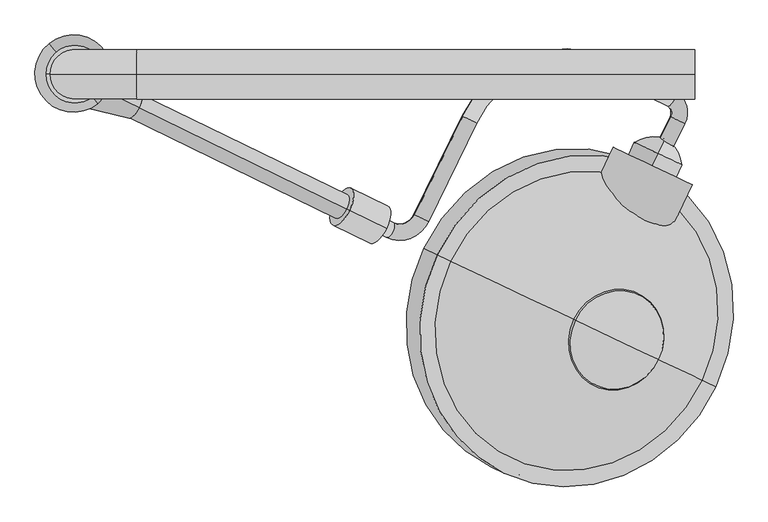
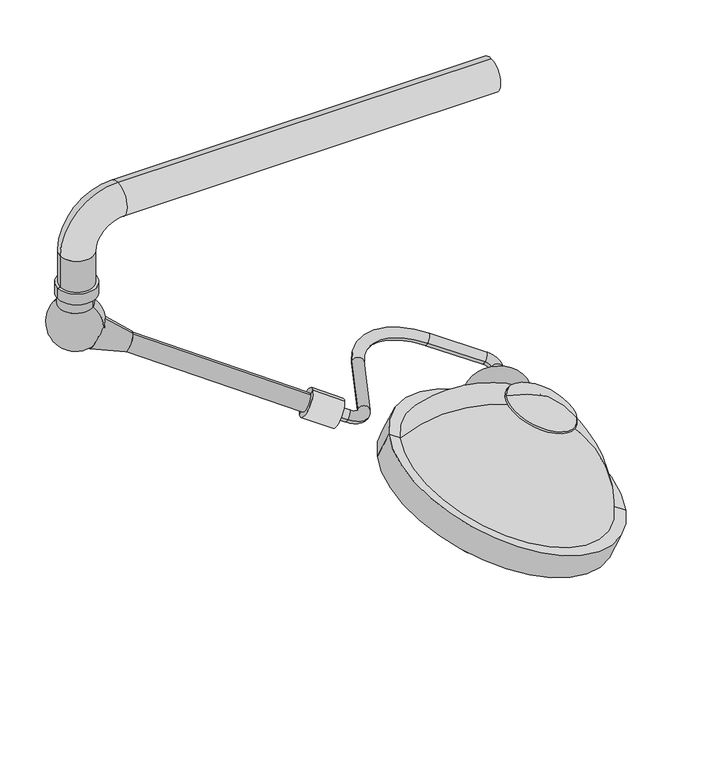
"""IFC4 building model written with IfcOpenShell, lengths in millimetres: proxy geometry."""

from ifc_helpers import new_model, si_unit, point, frame, frame_2d, origin, origin_2d, place, context, project, spatial, polyline, circle_curve, ellipse_curve, trimmed, segment, composite_curve, outline, extrude, source, transform, mapped, element, save
from ifc_brep_helpers import plane_surface, cylinder_surface, revolved_surface, advanced_brep


def specialty_equipment_e6020135(model_context):
    return source(origin(), model_context, "Body", "SolidModel", [
        advanced_brep(
        [(-51.3241797, 670.2413617, 1699.7604265), (-72.1798458, 680.4133498, 1710.0915373), (-30.6483179, 712.6331606, 1699.7604265), (-51.503984, 722.8051486, 1710.0915373), (-56.3645035, 739.305827, 1715.2570926), (-45.2298764, 762.1351958, 1715.2570926), (-148.7448243, 812.6228093, 1766.5344952), (-159.8794514, 789.7934405, 1766.5344952), (-351.8212111, 713.8491561, 1828.5211596), (-372.6768772, 724.0211441, 1838.8522704), (-446.9378356, 571.7636159, 1838.8522704), (-426.0821694, 561.5916279, 1828.5211596), (-490.062756, 536.2768664, 1849.1833811), (-478.9281288, 559.1062352, 1849.1833811), (-557.8921303, 597.619552, 1888.2991704), (-569.0267574, 574.7901832, 1888.2991704)],
        [
            (0, 1, circle_curve(frame((-61.7520127, 675.3273558, 1704.9259819), z_axis=(-0.43837114678908723, -0.8987940462991623, 0.0), x_axis=(-0.8210892183528129, 0.40047196991074896, 0.4067366430758003)), 12.7)),
            (1, 0, circle_curve(frame((-61.7520127, 675.3273558, 1704.9259819), z_axis=(-0.43837114678908723, -0.8987940462991623, 0.0), x_axis=(-0.8210892183528129, 0.40047196991074896, 0.4067366430758003)), 12.7)),
            (0, 2),
            (2, 3, circle_curve(frame((-41.0761509, 717.7191546, 1704.9259819), z_axis=(-0.43837114678908723, -0.8987940462991623, 0.0), x_axis=(-0.8210892183528129, 0.40047196991074896, 0.4067366430758003)), 12.7)),
            (3, 1),
            (3, 2, circle_curve(frame((-41.0761509, 717.7191546, 1704.9259819), z_axis=(-0.43837114678908723, -0.8987940462991623, 0.0), x_axis=(-0.8210892183528129, 0.40047196991074896, 0.4067366430758003)), 12.7)),
            (4, 3, circle_curve(frame((-61.9318171, 727.8911427, 1715.2570926), z_axis=(-0.36557247320823727, 0.17830160866628114, -0.9135454576426009), x_axis=(0.8210892183528128, -0.400471969910749, -0.4067366430758004)), 12.7)),
            (2, 5, circle_curve(frame((-61.9318171, 727.8911427, 1715.2570926), z_axis=(0.36557247320823727, -0.17830160866628114, 0.9135454576426009), x_axis=(0.8210892183528128, -0.400471969910749, -0.4067366430758004)), 38.1)),
            (5, 4, circle_curve(frame((-50.79719, 750.7205114, 1715.2570926), z_axis=(0.8210892183528112, -0.4004719699107522, -0.4067366430758003), x_axis=(-0.4383711467890902, -0.8987940462991607, 0.0)), 12.7)),
            (4, 5, circle_curve(frame((-50.79719, 750.7205114, 1715.2570926), z_axis=(0.8210892183528081, -0.40047196991075856, -0.4067366430758003), x_axis=(-0.43837114678909606, -0.8987940462991579, 0.0)), 12.7)),
            (5, 6),
            (6, 7, circle_curve(frame((-154.3121378, 801.2081249, 1766.5344952), z_axis=(0.821089218352813, -0.40047196991074857, -0.40673664307580043), x_axis=(-0.4383711467890869, -0.8987940462991624, 0.0)), 12.7)),
            (7, 4),
            (7, 6, circle_curve(frame((-154.3121378, 801.2081249, 1766.5344952), z_axis=(0.821089218352813, -0.40047196991074857, -0.40673664307580043), x_axis=(-0.4383711467890869, -0.8987940462991624, 0.0)), 12.7)),
            (8, 7, circle_curve(frame((-226.6872142, 652.8172279, 1766.5344952), z_axis=(-0.36557247320823727, 0.17830160866628114, -0.9135454576426009), x_axis=(0.43837114678909317, 0.8987940462991594, 0.0)), 152.4)),
            (6, 9, circle_curve(frame((-226.6872142, 652.8172279, 1766.5344952), z_axis=(0.36557247320823727, -0.17830160866628114, 0.9135454576426009), x_axis=(0.43837114678909317, 0.8987940462991594, 0.0)), 177.8)),
            (9, 8, circle_curve(frame((-362.2490441, 718.9351501, 1833.686715), z_axis=(0.4383711467890851, 0.8987940462991633, 0.0), x_axis=(0.821089218352814, -0.40047196991074674, -0.40673664307580043)), 12.7)),
            (8, 9, circle_curve(frame((-362.2490441, 718.9351501, 1833.686715), z_axis=(0.4383711467890848, 0.8987940462991635, 0.0), x_axis=(0.8210892183528142, -0.4004719699107463, -0.40673664307580043)), 12.7)),
            (9, 10),
            (10, 11, circle_curve(frame((-436.5100025, 566.6776219, 1833.686715), z_axis=(0.43837114678908545, 0.898794046299163, 0.0), x_axis=(0.8210892183528139, -0.400471969910747, -0.4067366430758005)), 12.7)),
            (11, 8),
            (11, 10, circle_curve(frame((-436.5100025, 566.6776219, 1833.686715), z_axis=(0.43837114678908545, 0.898794046299163, 0.0), x_axis=(0.8210892183528139, -0.400471969910747, -0.4067366430758005)), 12.7)),
            (12, 11, circle_curve(frame((-467.7935017, 581.935604, 1849.1833811), z_axis=(0.36557247320823727, -0.17830160866628114, 0.9135454576426009), x_axis=(0.8210892183528169, -0.4004719699107408, -0.4067366430758004)), 50.8)),
            (10, 13, circle_curve(frame((-467.7935017, 581.935604, 1849.1833811), z_axis=(-0.36557247320823727, 0.17830160866628114, -0.9135454576426009), x_axis=(0.8210892183528169, -0.4004719699107408, -0.4067366430758004)), 25.4)),
            (13, 12, circle_curve(frame((-484.4954424, 547.6915508, 1849.1833811), z_axis=(0.8210892183528147, -0.40047196991074524, -0.4067366430758004), x_axis=(-0.4383711467890839, -0.8987940462991639, 0.0)), 12.7)),
            (12, 13, circle_curve(frame((-484.4954424, 547.6915508, 1849.1833811), z_axis=(0.8210892183528171, -0.40047196991074047, -0.4067366430758004), x_axis=(-0.4383711467890795, -0.898794046299166, 0.0)), 12.7)),
            (14, 15, circle_curve(frame((-563.4594439, 586.2048676, 1888.2991704), z_axis=(-0.821089218352815, 0.40047196991074563, 0.4067366430757997), x_axis=(-0.438371146789084, -0.8987940462991637, 0.0)), 12.7)),
            (15, 14, circle_curve(frame((-563.4594439, 586.2048676, 1888.2991704), z_axis=(-0.821089218352815, 0.40047196991074563, 0.4067366430757997), x_axis=(-0.438371146789084, -0.8987940462991637, 0.0)), 12.7)),
            (13, 14),
            (15, 12),
        ],
        [
            plane_surface(frame((-671.2712366, 972.6097446, 181.7710423), z_axis=(-0.43837114678908734, -0.8987940462991622, 0.0), x_axis=(0.3655724732082375, -0.17830160866628114, 0.9135454576426008))),
            cylinder_surface(frame((-61.7520127, 675.3273558, 1704.9259819), z_axis=(-0.43837114678908723, -0.8987940462991623, 0.0), x_axis=(-0.8210892183528129, 0.40047196991074896, 0.4067366430758003)), 12.7),
            revolved_surface(trimmed(ellipse_curve(frame((-41.0761509, 717.7191546, 1704.9259819), z_axis=(-0.43837114678908723, -0.8987940462991622, 0.0), x_axis=(-0.8210892183528128, 0.4004719699107489, 0.40673664307580043)), 12.7, 12.7), [point((-30.6483179, 712.6331606, 1699.7604265))], [point((-51.503984, 722.8051486, 1710.0915373))], True, "CARTESIAN"), (-671.451041, 1025.1735315, 192.1021531), (0.36557247320823727, -0.17830160866628114, 0.9135454576426009)),
            revolved_surface(trimmed(ellipse_curve(frame((-41.0761509, 717.7191546, 1704.9259819), z_axis=(-0.43837114678908723, -0.8987940462991622, 0.0), x_axis=(-0.8210892183528128, 0.4004719699107489, 0.40673664307580043)), 12.7, 12.7), [point((-51.503984, 722.8051486, 1710.0915373))], [point((-30.6483179, 712.6331606, 1699.7604265))], True, "CARTESIAN"), (-671.451041, 1025.1735315, 192.1021531), (0.36557247320823727, -0.17830160866628114, 0.9135454576426009)),
            cylinder_surface(frame((-50.79719, 750.7205114, 1715.2570926), z_axis=(0.821089218352813, -0.40047196991074857, -0.40673664307580043), x_axis=(-0.4383711467890869, -0.8987940462991624, 0.0)), 12.7),
            revolved_surface(trimmed(ellipse_curve(frame((-154.3121378, 801.2081249, 1766.5344952), z_axis=(0.8210892183528098, -0.40047196991075545, -0.4067366430758005), x_axis=(-0.4383711467890932, -0.8987940462991594, 0.0)), 12.7, 12.7), [point((-148.7448243, 812.6228093, 1766.5344952))], [point((-159.8794514, 789.7934405, 1766.5344952))], True, "CARTESIAN"), (-836.2064381, 950.0996167, 243.3795556), (0.36557247320823727, -0.17830160866628114, 0.9135454576426009)),
            revolved_surface(trimmed(ellipse_curve(frame((-154.3121378, 801.2081249, 1766.5344952), z_axis=(0.8210892183528098, -0.40047196991075545, -0.4067366430758005), x_axis=(-0.4383711467890932, -0.8987940462991594, 0.0)), 12.7, 12.7), [point((-159.8794514, 789.7934405, 1766.5344952))], [point((-148.7448243, 812.6228093, 1766.5344952))], True, "CARTESIAN"), (-836.2064381, 950.0996167, 243.3795556), (0.36557247320823727, -0.17830160866628114, 0.9135454576426009)),
            cylinder_surface(frame((-362.2490441, 718.9351501, 1833.686715), z_axis=(0.43837114678908556, 0.8987940462991633, 0.0), x_axis=(0.8210892183528139, -0.400471969910747, -0.4067366430758005)), 12.7),
            revolved_surface(trimmed(ellipse_curve(frame((-436.5100025, 566.6776219, 1833.686715), z_axis=(0.43837114678907957, 0.898794046299166, 0.0), x_axis=(0.821089218352817, -0.4004719699107405, -0.40673664307580043)), 12.7, 12.7), [point((-446.9378356, 571.7636159, 1838.8522704))], [point((-426.0821694, 561.5916279, 1828.5211596))], True, "CARTESIAN"), (-1077.3127256, 879.2179928, 326.0284415), (-0.36557247320823727, 0.17830160866628114, -0.9135454576426009)),
            revolved_surface(trimmed(ellipse_curve(frame((-436.5100025, 566.6776219, 1833.686715), z_axis=(0.43837114678907957, 0.898794046299166, 0.0), x_axis=(0.821089218352817, -0.4004719699107405, -0.40673664307580043)), 12.7, 12.7), [point((-426.0821694, 561.5916279, 1828.5211596))], [point((-446.9378356, 571.7636159, 1838.8522704))], True, "CARTESIAN"), (-1077.3127256, 879.2179928, 326.0284415), (-0.36557247320823727, 0.17830160866628114, -0.9135454576426009)),
            plane_surface(frame((-1172.9786678, 883.4872565, 365.1442308), z_axis=(-0.821089218352815, 0.40047196991074574, 0.4067366430757996), x_axis=(0.3655724732082366, -0.1783016086662806, 0.9135454576426013))),
            cylinder_surface(frame((-484.4954424, 547.6915508, 1849.1833811), z_axis=(0.8210892183528148, -0.4004719699107455, -0.4067366430757996), x_axis=(-0.438371146789084, -0.8987940462991637, 0.0)), 12.7),
        ],
        [
            (0, [[1, 2]]),
            (1, [[-1, 3, 4, 5]]),
            (1, [[-2, -5, 6, -3]]),
            (2, [[7, -4, 8, 9]]),
            (3, [[-8, -6, -7, 10]]),
            (4, [[-9, 11, 12, 13]]),
            (4, [[-10, -13, 14, -11]]),
            (5, [[15, -12, 16, 17]]),
            (6, [[-16, -14, -15, 18]]),
            (7, [[-17, 19, 20, 21]]),
            (7, [[-18, -21, 22, -19]]),
            (8, [[23, -20, 24, 25]]),
            (9, [[-24, -22, -23, 26]]),
            (10, [[27, 28]]),
            (11, [[-25, 29, -28, 30]]),
            (11, [[-26, -30, -27, -29]]),
        ],
    ),
        advanced_brep(
        [(-70.9853036, 666.0888501, 1662.093259), (-70.9853036, 666.0888501, 1743.3108067), (-79.9012214, 647.2586456, 1743.3108067), (-79.9012214, 647.2586456, 1662.093259), (-59.9841849, 689.3229491, 1702.7020328), (-79.9012214, 647.2586456, 1702.7020328)],
        [
            (0, 1, circle_curve(frame((-70.9853036, 666.0888501, 1702.7020328), z_axis=(-0.4279431442574036, -0.9038056568107367, 0.0), x_axis=(0.0, 0.0, 1.0)), 40.6087738)),
            (1, 2),
            (2, 3, circle_curve(frame((-79.9012214, 647.2586456, 1702.7020328), z_axis=(0.4279431442574036, 0.9038056568107367, 0.0), x_axis=(0.0, 0.0, 1.0)), 40.6087738)),
            (3, 0),
            (1, 0, circle_curve(frame((-70.9853036, 666.0888501, 1702.7020328), z_axis=(-0.4279431442574036, -0.9038056568107367, 0.0), x_axis=(0.0, 0.0, 1.0)), 40.6087738)),
            (3, 2, circle_curve(frame((-79.9012214, 647.2586456, 1702.7020328), z_axis=(0.4279431442574036, 0.9038056568107367, 0.0), x_axis=(0.0, 0.0, 1.0)), 40.6087738)),
            (4, 1, circle_curve(frame((-83.4268503, 639.8126019, 1696.4653606), z_axis=(0.9038056568107367, -0.42794314425740376, 0.0), x_axis=(-0.42794314425740393, -0.9038056568107365, 0.0)), 55.1337385)),
            (0, 4, circle_curve(frame((-83.4268503, 639.8126019, 1708.9387051), z_axis=(0.9038056568107369, -0.4279431442574031, 0.0), x_axis=(-0.42794314425740326, -0.9038056568107368, 0.0)), 55.1337385)),
            (2, 5),
            (5, 3),
        ],
        [
            cylinder_surface(frame((-79.9012214, 647.2586456, 1702.7020328), z_axis=(0.4279431442574036, 0.9038056568107367, 0.0), x_axis=(0.0, 0.0, 1.0)), 40.6087738),
            revolved_surface(trimmed(ellipse_curve(frame((-83.4268503, 639.8126019, 1696.4653606), z_axis=(-0.9038056568107367, 0.42794314425740376, 0.0), x_axis=(-0.42794314425740393, -0.9038056568107365, 0.0)), 55.1337385, 55.1337385), [point((-70.9853036, 666.0888501, 1743.3108067))], [point((-59.9841849, 689.3229491, 1702.7020328))], True, "CARTESIAN"), (-79.9012214, 647.2586456, 1702.7020328), (0.4279431442574036, 0.9038056568107367, 0.0)),
            revolved_surface(trimmed(ellipse_curve(frame((-83.4268503, 639.8126019, 1696.4653606), z_axis=(-0.9038056568107365, 0.42794314425740393, 0.0), x_axis=(-0.4279431442574041, -0.9038056568107364, 0.0)), 55.1337385, 55.1337385), [point((-70.9853036, 666.0888501, 1743.3108067))], [point((-59.9841849, 689.3229491, 1702.7020328))], True, "CARTESIAN"), (-79.9012214, 647.2586456, 1702.7020328), (0.4279431442574036, 0.9038056568107367, 0.0)),
            plane_surface(frame((-79.9012214, 647.2586456, 1702.7020328), z_axis=(-0.42794314425740343, -0.9038056568107368, 0.0), x_axis=(0.0, 0.0, 1.0))),
        ],
        [
            (0, [[1, 2, 3, 4]]),
            (0, [[5, -4, 6, -2]]),
            (1, [[7, -1, 8]]),
            (2, [[-8, -5, -7]]),
            (3, [[-3, 9, 10]]),
            (3, [[-6, -10, -9]]),
        ],
    ),
        advanced_brep(
        [(-198.2891405, 408.2286063, 1882.6946884), (-70.3964825, 347.6726828, 1819.6927814), (-123.8504881, 372.982632, 1877.268084), (-200.9060117, 409.4676693, 1880.0876662), (-70.3964825, 347.6726828, 1815.7966478), (-129.8474904, 375.822154, 1862.3650044)],
        [
            (0, 1, circle_curve(frame((-134.3428115, 377.9506446, 1851.1937349), z_axis=(0.3676108788441171, -0.17406015792255894, 0.9135454576426013), x_axis=(0.8256675523711364, -0.3909455155656434, -0.4067366430757995)), 77.4480344)),
            (1, 2, circle_curve(frame((-222.0261973, 419.4678707, 1706.5205002), z_axis=(-0.42794314425740376, -0.9038056568107369, 0.0), x_axis=(-0.9038056568107369, 0.4279431442574038, 0.0)), 202.3711557)),
            (2, 0, circle_curve(frame((-172.8421817, 396.1797201, 1682.2916913), z_axis=(-0.427943144257401, -0.9038056568107382, 0.0), x_axis=(0.604764027172337, -0.2863498556040709, -0.7431448254773931)), 202.3711557)),
            (1, 0, circle_curve(frame((-134.3428115, 377.9506446, 1851.1937349), z_axis=(0.3676108788441171, -0.17406015792255894, 0.9135454576426013), x_axis=(0.8256675523711364, -0.3909455155656434, -0.4067366430757995)), 77.4480344)),
            (3, 4, circle_curve(frame((-135.6512471, 378.5701761, 1847.942157), z_axis=(0.3676108788441171, -0.17406015792255894, 0.9135454576426013), x_axis=(0.8256675523711364, -0.3909455155656434, -0.4067366430757995)), 79.0327347)),
            (4, 1),
            (0, 3),
            (4, 3, circle_curve(frame((-135.6512471, 378.5701761, 1847.942157), z_axis=(0.3676108788441171, -0.17406015792255894, 0.9135454576426013), x_axis=(0.8256675523711364, -0.3909455155656434, -0.4067366430757995)), 79.0327347)),
            (5, 4, circle_curve(frame((-246.9439851, 431.2661997, 1609.6195886), z_axis=(0.42794314425740376, 0.9038056568107369, 0.0), x_axis=(-0.9038056568107369, 0.4279431442574038, 0.0)), 284.0173877)),
            (3, 5, circle_curve(frame((-221.2532479, 419.1018867, 1596.9639329), z_axis=(0.427943144257401, 0.9038056568107382, 0.0), x_axis=(0.604764027172337, -0.2863498556040709, -0.7431448254773931)), 284.0173877)),
        ],
        [
            revolved_surface(trimmed(ellipse_curve(frame((-222.0261973, 419.4678707, 1706.5205002), z_axis=(0.42794314425740376, 0.9038056568107369, 0.0), x_axis=(-0.9038056568107369, 0.4279431442574038, 0.0)), 202.3711557, 202.3711557), [point((-123.8504881, 372.982632, 1877.268084))], [point((-70.3964825, 347.6726828, 1819.6927814))], True, "CARTESIAN"), (-169.8512246, 394.7635311, 1762.9521965), (-0.3676108788441171, 0.17406015792255894, -0.9135454576426013)),
            revolved_surface(trimmed(ellipse_curve(frame((-222.0261973, 419.4678707, 1706.5205002), z_axis=(0.42794314425740376, 0.9038056568107369, 0.0), x_axis=(-0.9038056568107369, 0.42794314425740376, 0.0)), 202.3711557, 202.3711557), [point((-123.8504881, 372.982632, 1877.268084))], [point((-70.3964825, 347.6726828, 1819.6927814))], True, "CARTESIAN"), (-169.8512246, 394.7635311, 1762.9521965), (-0.3676108788441171, 0.17406015792255894, -0.9135454576426013)),
            revolved_surface(polyline([(-70.3964825, 347.6726828, 1819.6927814), (-70.3964825, 347.6726828, 1815.7966478)]), (-169.8512246, 394.7635311, 1762.9521965), (-0.3676108788441171, 0.17406015792255894, -0.9135454576426013)),
            revolved_surface(trimmed(ellipse_curve(frame((-246.9439851, 431.2661997, 1609.6195886), z_axis=(-0.42794314425740376, -0.9038056568107369, 0.0), x_axis=(-0.9038056568107369, 0.4279431442574038, 0.0)), 284.0173877, 284.0173877), [point((-70.3964825, 347.6726828, 1815.7966478))], [point((-129.8474904, 375.822154, 1862.3650044))], True, "CARTESIAN"), (-169.8512246, 394.7635311, 1762.9521965), (-0.3676108788441171, 0.17406015792255894, -0.9135454576426013)),
            revolved_surface(trimmed(ellipse_curve(frame((-246.9439851, 431.2661997, 1609.6195886), z_axis=(-0.42794314425740376, -0.9038056568107369, 0.0), x_axis=(-0.9038056568107369, 0.42794314425740376, 0.0)), 284.0173877, 284.0173877), [point((-70.3964825, 347.6726828, 1815.7966478))], [point((-129.8474904, 375.822154, 1862.3650044))], True, "CARTESIAN"), (-169.8512246, 394.7635311, 1762.9521965), (-0.3676108788441171, 0.17406015792255894, -0.9135454576426013)),
        ],
        [
            (0, [[1, 2, 3]]),
            (1, [[4, -3, -2]]),
            (2, [[5, 6, -1, 7]]),
            (2, [[8, -7, -4, -6]]),
            (3, [[9, -5, 10]]),
            (4, [[-10, -8, -9]]),
        ],
    ),
        advanced_brep(
        [(-266.4821549, 440.5173321, 1522.8158117), (-276.9681328, 445.4823401, 1527.9813671), (-255.996177, 435.552324, 1517.6502563), (-263.0629437, 438.898369, 1507.6425198), (-278.9613242, 446.4260968, 1515.4743086), (-271.0121339, 442.6622329, 1511.5584142)],
        [
            (0, 1),
            (1, 2, circle_curve(frame((-266.4821549, 440.5173321, 1522.8158117), z_axis=(0.36761087884411703, -0.17406015792255897, 0.9135454576426013), x_axis=(-0.8256675523711364, 0.3909455155656434, 0.40673664307579943)), 12.7)),
            (2, 0),
            (2, 1, circle_curve(frame((-266.4821549, 440.5173321, 1522.8158117), z_axis=(0.36761087884411703, -0.17406015792255897, 0.9135454576426013), x_axis=(-0.8256675523711364, 0.3909455155656434, 0.40673664307579943)), 12.7)),
            (3, 4, circle_curve(frame((-271.0121339, 442.6622329, 1511.5584142), z_axis=(-0.36761087884411703, 0.17406015792255897, -0.9135454576426013), x_axis=(-0.8256675523711364, 0.3909455155656434, 0.40673664307579943)), 9.6275919)),
            (4, 5),
            (5, 3),
            (4, 3, circle_curve(frame((-271.0121339, 442.6622329, 1511.5584142), z_axis=(-0.36761087884411703, 0.17406015792255897, -0.9135454576426013), x_axis=(-0.8256675523711364, 0.3909455155656434, 0.40673664307579943)), 9.6275919)),
            (1, 4),
            (3, 2),
        ],
        [
            plane_surface(frame((-266.4821549, 440.5173321, 1522.8158117), z_axis=(0.36761087884411714, -0.1740601579225589, 0.9135454576426014), x_axis=(-0.8256675523711364, 0.3909455155656434, 0.40673664307579943))),
            plane_surface(frame((-271.0121339, 442.6622329, 1511.5584142), z_axis=(-0.36761087884411714, 0.1740601579225589, -0.9135454576426014), x_axis=(-0.8256675523711364, 0.3909455155656434, 0.40673664307579943))),
            revolved_surface(polyline([(-278.9613242, 446.4260968, 1515.4743086), (-276.9681328, 445.4823401, 1527.9813671)]), (-229.1328896, 422.83282, 1615.6320302), (0.36761087884411703, -0.17406015792255897, 0.9135454576426013)),
        ],
        [
            (0, [[1, 2, 3]]),
            (0, [[-3, 4, -1]]),
            (1, [[5, 6, 7]]),
            (1, [[8, -7, -6]]),
            (2, [[-2, 9, -5, 10]]),
            (2, [[-4, -10, -8, -9]]),
        ],
    ),
        advanced_brep(
        [(-229.1328896, 422.83282, 1615.6320302), (-244.8618565, 430.2803321, 1623.3803632), (-213.4039227, 415.385308, 1607.8836971), (-250.753188, 433.06982, 1515.0674786), (-282.2111217, 447.9648442, 1530.5641447), (-266.4821549, 440.5173321, 1522.8158117)],
        [
            (0, 1),
            (1, 2, circle_curve(frame((-229.1328896, 422.83282, 1615.6320302), z_axis=(0.36761087884411703, -0.17406015792255897, 0.9135454576426013), x_axis=(-0.8256675523711364, 0.3909455155656434, 0.40673664307579943)), 19.05)),
            (2, 0),
            (2, 1, circle_curve(frame((-229.1328896, 422.83282, 1615.6320302), z_axis=(0.36761087884411703, -0.17406015792255897, 0.9135454576426013), x_axis=(-0.8256675523711364, 0.3909455155656434, 0.40673664307579943)), 19.05)),
            (3, 4, circle_curve(frame((-266.4821549, 440.5173321, 1522.8158117), z_axis=(-0.36761087884411703, 0.17406015792255897, -0.9135454576426013), x_axis=(-0.8256675523711364, 0.3909455155656434, 0.40673664307579943)), 19.05)),
            (4, 5),
            (5, 3),
            (4, 3, circle_curve(frame((-266.4821549, 440.5173321, 1522.8158117), z_axis=(-0.36761087884411703, 0.17406015792255897, -0.9135454576426013), x_axis=(-0.8256675523711364, 0.3909455155656434, 0.40673664307579943)), 19.05)),
            (1, 4),
            (3, 2),
        ],
        [
            plane_surface(frame((-229.1328896, 422.83282, 1615.6320302), z_axis=(0.36761087884411714, -0.1740601579225589, 0.9135454576426014), x_axis=(-0.8256675523711364, 0.3909455155656434, 0.40673664307579943))),
            plane_surface(frame((-266.4821549, 440.5173321, 1522.8158117), z_axis=(-0.36761087884411714, 0.1740601579225589, -0.9135454576426014), x_axis=(-0.8256675523711364, 0.3909455155656434, 0.40673664307579943))),
            cylinder_surface(frame((-229.1328896, 422.83282, 1615.6320302), z_axis=(0.36761087884411703, -0.17406015792255897, 0.9135454576426013), x_axis=(-0.8256675523711364, 0.3909455155656434, 0.40673664307579943)), 19.05),
        ],
        [
            (0, [[1, 2, 3]]),
            (0, [[-3, 4, -1]]),
            (1, [[5, 6, 7]]),
            (1, [[8, -7, -6]]),
            (2, [[-2, 9, -5, 10]]),
            (2, [[-4, -10, -8, -9]]),
        ],
    ),
        advanced_brep(
        [(-222.1299023, 419.516974, 1633.0350712), (-258.830825, 436.8945022, 1651.1145149), (-185.4289796, 402.1394459, 1614.9556274), (-192.4319669, 405.4552919, 1597.5525864), (-265.8338123, 440.2103482, 1633.711474), (-229.1328896, 422.83282, 1615.6320302)],
        [
            (0, 1),
            (1, 2, circle_curve(frame((-222.1299023, 419.516974, 1633.0350712), z_axis=(0.3676108788441165, -0.1740601579225587, 0.9135454576426016), x_axis=(-0.8256675523711366, 0.3909455155656435, 0.4067366430757988)), 44.45)),
            (2, 0),
            (2, 1, circle_curve(frame((-222.1299023, 419.516974, 1633.0350712), z_axis=(0.3676108788441165, -0.1740601579225587, 0.9135454576426016), x_axis=(-0.8256675523711366, 0.3909455155656435, 0.4067366430757988)), 44.45)),
            (3, 4, circle_curve(frame((-229.1328896, 422.83282, 1615.6320302), z_axis=(-0.3676108788441165, 0.1740601579225587, -0.9135454576426016), x_axis=(-0.8256675523711366, 0.3909455155656435, 0.4067366430757988)), 44.45)),
            (4, 5),
            (5, 3),
            (4, 3, circle_curve(frame((-229.1328896, 422.83282, 1615.6320302), z_axis=(-0.3676108788441165, 0.1740601579225587, -0.9135454576426016), x_axis=(-0.8256675523711366, 0.3909455155656435, 0.4067366430757988)), 44.45)),
            (1, 4),
            (3, 2),
        ],
        [
            plane_surface(frame((-222.1299023, 419.516974, 1633.0350712), z_axis=(0.3676108788441166, -0.17406015792255863, 0.9135454576426016), x_axis=(-0.8256675523711366, 0.3909455155656435, 0.4067366430757988))),
            plane_surface(frame((-229.1328896, 422.83282, 1615.6320302), z_axis=(-0.3676108788441166, 0.17406015792255863, -0.9135454576426016), x_axis=(-0.8256675523711366, 0.3909455155656435, 0.4067366430757988))),
            cylinder_surface(frame((-222.1299023, 419.516974, 1633.0350712), z_axis=(0.3676108788441165, -0.1740601579225587, 0.9135454576426016), x_axis=(-0.8256675523711366, 0.3909455155656435, 0.4067366430757988)), 44.45),
        ],
        [
            (0, [[1, 2, 3]]),
            (0, [[-3, 4, -1]]),
            (1, [[5, 6, 7]]),
            (1, [[8, -7, -6]]),
            (2, [[-2, 9, -5, 10]]),
            (2, [[-4, -10, -8, -9]]),
        ],
    ),
        advanced_brep(
        [(-217.8648709, 417.4975233, 1643.6340505), (-265.0517715, 439.8400595, 1666.8790497), (-170.6779703, 395.1549871, 1620.3890514), (-179.2080332, 399.1938885, 1611.8910927), (-265.0517715, 439.8400595, 1654.1790497), (-222.1299023, 419.516974, 1633.0350712)],
        [
            (0, 1),
            (1, 2, circle_curve(frame((-217.8648709, 417.4975233, 1643.6340505), z_axis=(0.36761087884411725, -0.17406015792255908, 0.9135454576426012), x_axis=(-0.8256675523711363, 0.39094551556564333, 0.4067366430757997)), 57.15)),
            (2, 0),
            (2, 1, circle_curve(frame((-217.8648709, 417.4975233, 1643.6340505), z_axis=(0.36761087884411725, -0.17406015792255908, 0.9135454576426012), x_axis=(-0.8256675523711363, 0.39094551556564333, 0.4067366430757997)), 57.15)),
            (3, 4, circle_curve(frame((-222.1299023, 419.516974, 1633.0350712), z_axis=(-0.36761087884411725, 0.17406015792255908, -0.9135454576426012), x_axis=(-0.8256675523711363, 0.39094551556564333, 0.4067366430757997)), 51.9844446)),
            (4, 5),
            (5, 3),
            (4, 3, circle_curve(frame((-222.1299023, 419.516974, 1633.0350712), z_axis=(-0.36761087884411725, 0.17406015792255908, -0.9135454576426012), x_axis=(-0.8256675523711363, 0.39094551556564333, 0.4067366430757997)), 51.9844446)),
            (1, 4),
            (3, 2),
        ],
        [
            plane_surface(frame((-217.8648709, 417.4975233, 1643.6340505), z_axis=(0.36761087884411736, -0.17406015792255902, 0.9135454576426013), x_axis=(-0.8256675523711363, 0.39094551556564333, 0.4067366430757997))),
            plane_surface(frame((-222.1299023, 419.516974, 1633.0350712), z_axis=(-0.36761087884411736, 0.17406015792255902, -0.9135454576426013), x_axis=(-0.8256675523711363, 0.39094551556564333, 0.4067366430757997))),
            revolved_surface(polyline([(-265.0517715, 439.8400595, 1654.1790497), (-265.0517715, 439.8400595, 1666.8790497)]), (-217.8648709, 417.4975233, 1643.6340505), (0.36761087884411725, -0.17406015792255908, 0.9135454576426012)),
        ],
        [
            (0, [[1, 2, 3]]),
            (0, [[-3, 4, -1]]),
            (1, [[5, 6, 7]]),
            (1, [[8, -7, -6]]),
            (2, [[-2, 9, -5, 10]]),
            (2, [[-4, -10, -8, -9]]),
        ],
    ),
        extrude(outline(composite_curve([segment(polyline([(-25.1937137, -4.6953206), (31.6273953, -132.3176211)]), True, "CONTINUOUS"), segment(trimmed(circle_curve(frame_2d((0.0, -69.9387006)), 69.9387006), [point((31.6273953, -132.3176211))], [point((-25.1937137, -4.6953206))], False, "CARTESIAN"), True, "CONTINUOUS")], self_intersect=False)), frame((-180.69854, 601.7570747, 1699.0600142), z_axis=(0.42794314425740343, 0.9038056568107368, 0.0), x_axis=(0.0, 0.0, -1.0)), (0.0, 0.0, 1.0), 84.2600986),
        advanced_brep(
        [(-390.8465006, 499.4026342, 1791.4059477), (-2.8653177, 315.6973364, 1600.2803991), (-136.3788609, 378.9146941, 1846.1339726), (-385.1187358, 496.6905935, 1788.5843619), (-8.5930825, 318.4093771, 1603.1019849), (-138.6621528, 379.9958105, 1840.4597908)],
        [
            (0, 1, circle_curve(frame((-196.8559092, 407.5499853, 1695.8431734), z_axis=(0.3676108788441172, -0.17406015792255902, 0.9135454576426013), x_axis=(0.8256675523711364, -0.3909455155656434, -0.4067366430757996)), 234.95)),
            (1, 2, circle_curve(frame((-250.7671057, 433.0764099, 1602.7798508), z_axis=(-0.4279431442574038, -0.9038056568107369, 0.0), x_axis=(-0.9038056568107368, 0.4279431442574038, 0.0)), 274.297996)),
            (2, 0, circle_curve(frame((-223.289049, 420.0658186, 1589.2437338), z_axis=(-0.42794314425740104, -0.9038056568107381, 0.0), x_axis=(0.6047640271723369, -0.28634985560407084, -0.7431448254773931)), 274.297996)),
            (1, 0, circle_curve(frame((-196.8559092, 407.5499853, 1695.8431734), z_axis=(0.3676108788441172, -0.17406015792255902, 0.9135454576426013), x_axis=(0.8256675523711364, -0.3909455155656434, -0.4067366430757996)), 234.95)),
            (3, 4, circle_curve(frame((-196.8559092, 407.5499853, 1695.8431734), z_axis=(0.3676108788441172, -0.17406015792255902, 0.9135454576426013), x_axis=(0.8256675523711364, -0.3909455155656434, -0.4067366430757996)), 228.012868)),
            (4, 1),
            (0, 3),
            (4, 3, circle_curve(frame((-196.8559092, 407.5499853, 1695.8431734), z_axis=(0.3676108788441172, -0.17406015792255902, 0.9135454576426013), x_axis=(0.8256675523711364, -0.3909455155656434, -0.4067366430757996)), 228.012868)),
            (5, 4, circle_curve(frame((-250.6075587, 433.000866, 1603.0552661), z_axis=(0.4279431442574038, 0.9038056568107369, 0.0), x_axis=(-0.9038056568107368, 0.4279431442574038, 0.0)), 267.7726988)),
            (3, 5, circle_curve(frame((-223.2108217, 420.0287788, 1589.5592085), z_axis=(0.42794314425740104, 0.9038056568107381, 0.0), x_axis=(0.6047640271723369, -0.28634985560407084, -0.7431448254773931)), 267.7726988)),
        ],
        [
            revolved_surface(trimmed(ellipse_curve(frame((-250.7671057, 433.0764099, 1602.7798508), z_axis=(0.4279431442574038, 0.9038056568107369, 0.0), x_axis=(-0.9038056568107368, 0.4279431442574038, 0.0)), 274.297996, 274.297996), [point((-136.3788609, 378.9146941, 1846.1339726))], [point((-2.8653177, 315.6973364, 1600.2803991))], True, "CARTESIAN"), (-196.8559092, 407.5499853, 1695.8431734), (-0.3676108788441172, 0.17406015792255902, -0.9135454576426013)),
            revolved_surface(trimmed(ellipse_curve(frame((-250.7671057, 433.0764099, 1602.7798508), z_axis=(0.4279431442574037, 0.9038056568107367, 0.0), x_axis=(-0.9038056568107368, 0.42794314425740376, 0.0)), 274.297996, 274.297996), [point((-136.3788609, 378.9146941, 1846.1339726))], [point((-2.8653177, 315.6973364, 1600.2803991))], True, "CARTESIAN"), (-196.8559092, 407.5499853, 1695.8431734), (-0.3676108788441172, 0.17406015792255902, -0.9135454576426013)),
            plane_surface(frame((-196.8559092, 407.5499853, 1695.8431734), z_axis=(-0.3676108788441172, 0.17406015792255894, -0.9135454576426013), x_axis=(0.8256675523711363, -0.39094551556564333, -0.40673664307579954))),
            revolved_surface(trimmed(ellipse_curve(frame((-250.6075587, 433.000866, 1603.0552661), z_axis=(-0.4279431442574038, -0.9038056568107369, 0.0), x_axis=(-0.9038056568107368, 0.4279431442574038, 0.0)), 267.7726988, 267.7726988), [point((-8.5930825, 318.4093771, 1603.1019849))], [point((-138.6621528, 379.9958105, 1840.4597908))], True, "CARTESIAN"), (-196.8559092, 407.5499853, 1695.8431734), (-0.3676108788441172, 0.17406015792255902, -0.9135454576426013)),
            revolved_surface(trimmed(ellipse_curve(frame((-250.6075587, 433.000866, 1603.0552661), z_axis=(-0.4279431442574037, -0.9038056568107367, 0.0), x_axis=(-0.9038056568107368, 0.42794314425740376, 0.0)), 267.7726988, 267.7726988), [point((-8.5930825, 318.4093771, 1603.1019849))], [point((-138.6621528, 379.9958105, 1840.4597908))], True, "CARTESIAN"), (-196.8559092, 407.5499853, 1695.8431734), (-0.3676108788441172, 0.17406015792255902, -0.9135454576426013)),
        ],
        [
            (0, [[1, 2, 3]]),
            (1, [[4, -3, -2]]),
            (2, [[5, 6, -1, 7]]),
            (2, [[8, -7, -4, -6]]),
            (3, [[9, -5, 10]]),
            (4, [[-10, -8, -9]]),
        ],
    ),
        advanced_brep(
        [(-432.8274181, 519.2801883, 1749.5279355), (-2.9023236, 315.7148583, 1537.7401655), (18.1066381, 305.7673203, 1589.9492884), (-411.8184564, 509.3326503, 1801.7370584), (-427.5844292, 516.7976843, 1746.9451578), (-8.1453126, 318.1973624, 1540.3229432), (-408.9097965, 507.9554283, 1793.3532671), (10.5293201, 309.3551063, 1586.7310524), (-199.1902382, 408.6552673, 1690.0421598), (-196.8559092, 407.5499853, 1695.8431734)],
        [
            (0, 1, circle_curve(frame((-217.8648709, 417.4975233, 1643.6340505), z_axis=(0.3676108788441169, -0.17406015792255886, 0.9135454576426014), x_axis=(0.8256675523711365, -0.39094551556564344, -0.40673664307579926)), 260.35)),
            (1, 2),
            (2, 3, circle_curve(frame((-196.8559092, 407.5499853, 1695.8431734), z_axis=(-0.3676108788441169, 0.17406015792255886, -0.9135454576426014), x_axis=(0.8256675523711365, -0.39094551556564344, -0.40673664307579926)), 260.35)),
            (3, 0),
            (1, 0, circle_curve(frame((-217.8648709, 417.4975233, 1643.6340505), z_axis=(0.3676108788441169, -0.17406015792255886, 0.9135454576426014), x_axis=(0.8256675523711365, -0.39094551556564344, -0.40673664307579926)), 260.35)),
            (3, 2, circle_curve(frame((-196.8559092, 407.5499853, 1695.8431734), z_axis=(-0.3676108788441169, 0.17406015792255886, -0.9135454576426014), x_axis=(0.8256675523711365, -0.39094551556564344, -0.40673664307579926)), 260.35)),
            (4, 5, circle_curve(frame((-217.8648709, 417.4975233, 1643.6340505), z_axis=(0.3676108788441169, -0.17406015792255886, 0.9135454576426014), x_axis=(0.8256675523711365, -0.39094551556564344, -0.40673664307579926)), 254.0)),
            (5, 1),
            (0, 4),
            (5, 4, circle_curve(frame((-217.8648709, 417.4975233, 1643.6340505), z_axis=(0.3676108788441169, -0.17406015792255886, 0.9135454576426014), x_axis=(0.8256675523711365, -0.39094551556564344, -0.40673664307579926)), 254.0)),
            (6, 7, circle_curve(frame((-199.1902382, 408.6552673, 1690.0421598), z_axis=(0.3676108788441169, -0.17406015792255886, 0.9135454576426014), x_axis=(0.8256675523711365, -0.39094551556564344, -0.40673664307579926)), 254.0)),
            (7, 5),
            (4, 6),
            (7, 6, circle_curve(frame((-199.1902382, 408.6552673, 1690.0421598), z_axis=(0.3676108788441169, -0.17406015792255886, 0.9135454576426014), x_axis=(0.8256675523711365, -0.39094551556564344, -0.40673664307579926)), 254.0)),
            (8, 7),
            (6, 8),
            (2, 9),
            (9, 3),
        ],
        [
            cylinder_surface(frame((-217.8648709, 417.4975233, 1643.6340505), z_axis=(-0.3676108788441169, 0.17406015792255886, -0.9135454576426014), x_axis=(0.8256675523711365, -0.39094551556564344, -0.40673664307579926)), 260.35),
            plane_surface(frame((-217.8648709, 417.4975233, 1643.6340505), z_axis=(-0.3676108788441169, 0.1740601579225588, -0.9135454576426014), x_axis=(0.8256675523711364, -0.3909455155656434, -0.4067366430757992))),
            revolved_surface(polyline([(-8.145312614242961, 318.19736235414473, 1540.322943117714), (10.529320070888023, 309.3551063128102, 1586.7310524649886)]), (-217.8648709, 417.4975233, 1643.6340505), (-0.3676108788441169, 0.17406015792255886, -0.9135454576426014)),
            plane_surface(frame((-199.1902382, 408.6552673, 1690.0421598), z_axis=(-0.3676108788441169, 0.1740601579225588, -0.9135454576426014), x_axis=(0.8256675523711364, -0.3909455155656434, -0.4067366430757992))),
            plane_surface(frame((-196.8559092, 407.5499853, 1695.8431734), z_axis=(0.3676108788441169, -0.1740601579225588, 0.9135454576426014), x_axis=(0.8256675523711364, -0.3909455155656434, -0.4067366430757992))),
        ],
        [
            (0, [[1, 2, 3, 4]]),
            (0, [[5, -4, 6, -2]]),
            (1, [[7, 8, -1, 9]]),
            (1, [[10, -9, -5, -8]]),
            (2, [[11, 12, -7, 13]]),
            (2, [[14, -13, -10, -12]]),
            (3, [[15, -11, 16]]),
            (3, [[-16, -14, -15]]),
            (4, [[-3, 17, 18]]),
            (4, [[-6, -18, -17]]),
        ],
    ),
        advanced_brep(
        [(-571.2157425, 589.9878672, 1857.3919398), (-547.0954721, 578.2236253, 1914.9424843), (-559.1556073, 584.1057463, 1886.167212), (-514.3170471, 562.2365192, 1827.8720542), (-490.1967767, 550.4722773, 1885.4225987), (-502.2569119, 556.3543983, 1856.6473264)],
        [
            (0, 1, circle_curve(frame((-559.1556073, 584.1057463, 1886.167212), z_axis=(-0.8145840431031117, 0.3972991839471335, 0.42261826174069883), x_axis=(0.37984677750984175, -0.18526365205327952, 0.9063077870366504)), 31.75)),
            (1, 2),
            (2, 0),
            (1, 0, circle_curve(frame((-559.1556073, 584.1057463, 1886.167212), z_axis=(-0.8145840431031117, 0.3972991839471335, 0.42261826174069883), x_axis=(0.37984677750984175, -0.18526365205327952, 0.9063077870366504)), 31.75)),
            (3, 4, circle_curve(frame((-502.2569119, 556.3543983, 1856.6473264), z_axis=(-0.8145840431031117, 0.3972991839471335, 0.42261826174069883), x_axis=(0.37984677750984175, -0.18526365205327952, 0.9063077870366504)), 31.75)),
            (4, 1),
            (0, 3),
            (4, 3, circle_curve(frame((-502.2569119, 556.3543983, 1856.6473264), z_axis=(-0.8145840431031117, 0.3972991839471335, 0.42261826174069883), x_axis=(0.37984677750984175, -0.18526365205327952, 0.9063077870366504)), 31.75)),
            (5, 4),
            (3, 5),
        ],
        [
            plane_surface(frame((-559.1556073, 584.1057463, 1886.167212), z_axis=(-0.8145840431031117, 0.3972991839471334, 0.42261826174069883), x_axis=(0.37984677750984175, -0.18526365205327952, 0.9063077870366504))),
            cylinder_surface(frame((-559.1556073, 584.1057463, 1886.167212), z_axis=(0.8145840431031117, -0.3972991839471335, -0.42261826174069883), x_axis=(0.37984677750984175, -0.18526365205327952, 0.9063077870366504)), 31.75),
            plane_surface(frame((-502.2569119, 556.3543983, 1856.6473264), z_axis=(0.8145840431031117, -0.3972991839471334, -0.42261826174069883), x_axis=(0.37984677750984175, -0.18526365205327952, 0.9063077870366504))),
        ],
        [
            (0, [[1, 2, 3]]),
            (0, [[4, -3, -2]]),
            (1, [[5, 6, -1, 7]]),
            (1, [[8, -7, -4, -6]]),
            (2, [[9, -5, 10]]),
            (2, [[-10, -8, -9]]),
        ],
    ),
        extrude(outline(composite_curve([segment(trimmed(circle_curve(origin_2d(), 20.2288163), [point((0.0, -20.2288164))], [point((0.0, 20.2288163))], False, "CARTESIAN"), True, "CONTINUOUS"), segment(trimmed(circle_curve(origin_2d(), 20.2288163), [point((0.0, 20.2288163))], [point((0.0, -20.2288164))], False, "CARTESIAN"), True, "CONTINUOUS")], self_intersect=False)), frame((-559.1556073, 584.1057463, 1886.167212), z_axis=(-0.8145840431031119, 0.39729918394713354, 0.4226182617406987), x_axis=(0.4383711467890842, 0.8987940462991637, 0.0)), (0.0, 0.0, 1.0), 393.7),
        advanced_brep(
        [(-940.9549717, 770.3217386, 2081.4066897), (-953.8120625, 776.5925608, 2047.7066358), (-928.0978809, 764.0509164, 2115.1067436), (-872.3231351, 736.8477552, 2072.3001347), (-887.391555, 744.1971147, 2032.8039086), (-879.8573451, 740.522435, 2052.5520217)],
        [
            (0, 1),
            (1, 2, circle_curve(frame((-940.9549717, 770.3217386, 2081.4066897), z_axis=(-0.8273442818725376, 0.40352276823286415, 0.39073112848927416), x_axis=(-0.3511868119899131, 0.1712852528820361, -0.9205048534524402)), 36.6104033)),
            (2, 0),
            (2, 1, circle_curve(frame((-940.9549717, 770.3217386, 2081.4066897), z_axis=(-0.8273442818725376, 0.40352276823286415, 0.39073112848927416), x_axis=(-0.3511868119899131, 0.1712852528820361, -0.9205048534524402)), 36.6104033)),
            (3, 4, circle_curve(frame((-879.8573451, 740.522435, 2052.5520217), z_axis=(0.8273442818725376, -0.40352276823286415, -0.39073112848927416), x_axis=(-0.3511868119899131, 0.1712852528820361, -0.9205048534524402)), 21.4535676)),
            (4, 5),
            (5, 3),
            (4, 3, circle_curve(frame((-879.8573451, 740.522435, 2052.5520217), z_axis=(0.8273442818725376, -0.40352276823286415, -0.39073112848927416), x_axis=(-0.3511868119899131, 0.1712852528820361, -0.9205048534524402)), 21.4535676)),
            (1, 4),
            (3, 2),
        ],
        [
            plane_surface(frame((-940.9549717, 770.3217386, 2081.4066897), z_axis=(-0.8273442818725375, 0.40352276823286404, 0.39073112848927416), x_axis=(-0.35118681198991314, 0.17128525288203614, -0.9205048534524403))),
            plane_surface(frame((-879.8573451, 740.522435, 2052.5520217), z_axis=(0.8273442818725375, -0.40352276823286404, -0.39073112848927416), x_axis=(-0.35118681198991314, 0.17128525288203614, -0.9205048534524403))),
            revolved_surface(polyline([(-887.391555, 744.1971147, 2032.8039086), (-953.8120625, 776.5925608, 2047.7066358)]), (-921.8864346, 761.0213916, 2072.401163), (-0.8273442818725374, 0.40352276823286404, 0.39073112848927405)),
        ],
        [
            (0, [[1, 2, 3]]),
            (0, [[-3, 4, -1]]),
            (1, [[5, 6, 7]]),
            (1, [[8, -7, -6]]),
            (2, [[-2, 9, -5, 10]]),
            (2, [[-4, -10, -8, -9]]),
        ],
    ),
        advanced_brep(
        [(-973.5341458, 789.78967, 2175.962195), (-949.5570389, 760.1804089, 2175.962195), (-997.5112527, 819.3989311, 2175.962195), (-997.5112527, 819.3989311, 2150.1869575), (-949.5570389, 760.1804089, 2150.1869575), (-973.5341458, 789.78967, 2044.1286543)],
        [
            (0, 1),
            (1, 2, circle_curve(frame((-973.5341458, 789.78967, 2175.962195), z_axis=(0.0, 0.0, 1.0), x_axis=(0.62932039104983, -0.7771459614569771, 0.0)), 38.1)),
            (2, 0),
            (2, 1, circle_curve(frame((-973.5341458, 789.78967, 2175.962195), z_axis=(0.0, 0.0, 1.0), x_axis=(0.62932039104983, -0.7771459614569771, 0.0)), 38.1)),
            (3, 4, circle_curve(frame((-973.5341458, 789.78967, 2150.1869575), z_axis=(0.0, 0.0, -1.0), x_axis=(0.62932039104983, -0.7771459614569771, 0.0)), 38.1)),
            (4, 5, circle_curve(frame((-973.5341458, 789.78967, 2104.0012588), z_axis=(0.7771459614569772, 0.6293203910498298, 0.0), x_axis=(0.6293203910498298, -0.7771459614569772, 0.0)), 59.8726045)),
            (5, 3, circle_curve(frame((-973.5341458, 789.78967, 2104.0012588), z_axis=(0.7771459614569792, 0.6293203910498274, 0.0), x_axis=(-0.6293203910498274, 0.7771459614569792, 0.0)), 59.8726045)),
            (4, 3, circle_curve(frame((-973.5341458, 789.78967, 2150.1869575), z_axis=(0.0, 0.0, -1.0), x_axis=(0.62932039104983, -0.7771459614569771, 0.0)), 38.1)),
            (1, 4),
            (3, 2),
        ],
        [
            plane_surface(frame((-973.5341458, 789.78967, 2175.962195), z_axis=(0.0, 0.0, 1.0000000000000002), x_axis=(0.62932039104983, -0.7771459614569771, 0.0))),
            revolved_surface(trimmed(ellipse_curve(frame((-973.5341458, 789.78967, 2104.0012588), z_axis=(-0.7771459614569772, -0.6293203910498298, 0.0), x_axis=(0.6293203910498298, -0.7771459614569772, 0.0)), 59.8726045, 59.8726045), [point((-973.5341458, 789.78967, 2044.1286543))], [point((-949.5570389, 760.1804089, 2150.1869575))], True, "CARTESIAN"), (-973.5341458, 789.78967, 2175.962195), (0.0, 0.0, 1.0)),
            cylinder_surface(frame((-973.5341458, 789.78967, 2175.962195), z_axis=(0.0, 0.0, 1.0), x_axis=(0.62932039104983, -0.7771459614569771, 0.0)), 38.1),
        ],
        [
            (0, [[1, 2, 3]]),
            (0, [[-3, 4, -1]]),
            (1, [[5, 6, 7]]),
            (1, [[8, -7, -6]]),
            (2, [[-2, 9, -5, 10]]),
            (2, [[-4, -10, -8, -9]]),
        ],
    ),
        advanced_brep(
        [(-927.1, 788.5674111, 2175.962195), (-1016.0, 788.5674111, 2175.962195), (-971.55, 788.5674111, 2175.962195), (-927.1, 788.5674111, 2201.362195), (-1016.0, 788.5674111, 2201.362195), (-971.55, 788.5674111, 2201.362195)],
        [
            (0, 1, circle_curve(frame((-971.55, 788.5674111, 2175.962195), z_axis=(0.0, 0.0, -1.0), x_axis=(-1.0, 0.0, 0.0)), 44.45)),
            (1, 2),
            (2, 0),
            (1, 0, circle_curve(frame((-971.55, 788.5674111, 2175.962195), z_axis=(0.0, 0.0, -1.0), x_axis=(-1.0, 0.0, 0.0)), 44.45)),
            (3, 4, circle_curve(frame((-971.55, 788.5674111, 2201.362195), z_axis=(0.0, 0.0, -1.0), x_axis=(-1.0, 0.0, 0.0)), 44.45)),
            (4, 1),
            (0, 3),
            (4, 3, circle_curve(frame((-971.55, 788.5674111, 2201.362195), z_axis=(0.0, 0.0, -1.0), x_axis=(-1.0, 0.0, 0.0)), 44.45)),
            (5, 4),
            (3, 5),
        ],
        [
            plane_surface(frame((-971.55, 788.5674111, 2175.962195), z_axis=(0.0, 0.0, -1.0), x_axis=(-1.0, 0.0, 0.0))),
            cylinder_surface(frame((-971.55, 788.5674111, 2201.362195), z_axis=(0.0, 0.0, 1.0), x_axis=(-1.0, 0.0, 0.0)), 44.45),
            plane_surface(frame((-971.55, 788.5674111, 2201.362195), z_axis=(0.0, 0.0, 1.0), x_axis=(-1.0, 0.0, 0.0))),
        ],
        [
            (0, [[1, 2, 3]]),
            (0, [[4, -3, -2]]),
            (1, [[5, 6, -1, 7]]),
            (1, [[8, -7, -4, -6]]),
            (2, [[9, -5, 10]]),
            (2, [[-10, -8, -9]]),
        ],
    ),
        advanced_brep(
        [(-14.4818275, 788.5674111, 2334.712195), (-14.4818275, 788.5674111, 2410.912195), (-876.3, 788.5674111, 2334.712195), (-876.3, 788.5674111, 2410.912195), (-1009.65, 788.5674111, 2277.562195), (-933.45, 788.5674111, 2277.562195), (-933.45, 788.5674111, 2201.362195), (-1009.65, 788.5674111, 2201.362195)],
        [
            (0, 1, circle_curve(frame((-14.4818275, 788.5674111, 2372.812195), z_axis=(1.0, 0.0, 0.0), x_axis=(0.0, 0.0, 1.0)), 38.1)),
            (1, 0, circle_curve(frame((-14.4818275, 788.5674111, 2372.812195), z_axis=(1.0, 0.0, 0.0), x_axis=(0.0, 0.0, 1.0)), 38.1)),
            (0, 2),
            (2, 3, circle_curve(frame((-876.3, 788.5674111, 2372.812195), z_axis=(1.0, 0.0, 0.0), x_axis=(0.0, 0.0, 1.0)), 38.1)),
            (3, 1),
            (3, 2, circle_curve(frame((-876.3, 788.5674111, 2372.812195), z_axis=(1.0, 0.0, 0.0), x_axis=(0.0, 0.0, 1.0)), 38.1)),
            (4, 3, circle_curve(frame((-876.3, 788.5674111, 2277.562195), z_axis=(0.0, 1.0, 0.0), x_axis=(0.0, 0.0, 1.0)), 133.35)),
            (2, 5, circle_curve(frame((-876.3, 788.5674111, 2277.562195), z_axis=(0.0, -1.0, 0.0), x_axis=(0.0, 0.0, 1.0)), 57.15)),
            (5, 4, circle_curve(frame((-971.55, 788.5674111, 2277.562195), z_axis=(0.0, 0.0, 1.0), x_axis=(-1.0, 0.0, 0.0)), 38.1)),
            (4, 5, circle_curve(frame((-971.55, 788.5674111, 2277.562195), z_axis=(0.0, 0.0, 1.0), x_axis=(-1.0, 0.0, 0.0)), 38.1)),
            (6, 7, circle_curve(frame((-971.55, 788.5674111, 2201.362195), z_axis=(0.0, 0.0, -1.0), x_axis=(-1.0, 0.0, 0.0)), 38.1)),
            (7, 6, circle_curve(frame((-971.55, 788.5674111, 2201.362195), z_axis=(0.0, 0.0, -1.0), x_axis=(-1.0, 0.0, 0.0)), 38.1)),
            (5, 6),
            (7, 4),
        ],
        [
            plane_surface(frame((-14.4818275, 788.5674111, 2372.812195), z_axis=(1.0, 0.0, 0.0), x_axis=(0.0, 1.0, 0.0))),
            cylinder_surface(frame((-14.4818275, 788.5674111, 2372.812195), z_axis=(1.0, 0.0, 0.0), x_axis=(0.0, 0.0, 1.0)), 38.1),
            revolved_surface(trimmed(ellipse_curve(frame((-876.3, 788.5674111, 2372.812195), z_axis=(1.0, 0.0, 0.0), x_axis=(0.0, 0.0, 1.0)), 38.1, 38.1), [point((-876.3, 788.5674111, 2334.712195))], [point((-876.3, 788.5674111, 2410.912195))], True, "CARTESIAN"), (-876.3, 788.5674111, 2277.562195), (0.0, -1.0, 0.0)),
            revolved_surface(trimmed(ellipse_curve(frame((-876.3, 788.5674111, 2372.812195), z_axis=(1.0, 0.0, 0.0), x_axis=(0.0, 0.0, 1.0)), 38.1, 38.1), [point((-876.3, 788.5674111, 2410.912195))], [point((-876.3, 788.5674111, 2334.712195))], True, "CARTESIAN"), (-876.3, 788.5674111, 2277.562195), (0.0, -1.0, 0.0)),
            plane_surface(frame((-971.55, 788.5674111, 2201.362195), z_axis=(0.0, 0.0, -1.0), x_axis=(0.0, 1.0, 0.0))),
            cylinder_surface(frame((-971.55, 788.5674111, 2277.562195), z_axis=(0.0, 0.0, 1.0), x_axis=(-1.0, 0.0, 0.0)), 38.1),
        ],
        [
            (0, [[1, 2]]),
            (1, [[-1, 3, 4, 5]]),
            (1, [[-2, -5, 6, -3]]),
            (2, [[7, -4, 8, 9]]),
            (3, [[-8, -6, -7, 10]]),
            (4, [[11, 12]]),
            (5, [[-9, 13, -12, 14]]),
            (5, [[-10, -14, -11, -13]]),
        ],
    ),
    ])


if __name__ == "__main__":
    model = new_model("IFC4")
    model_context = context("Model", 3, world=origin())
    ifc_project = project(units=[si_unit("LENGTHUNIT", "METRE", prefix="MILLI")], contexts=[model_context])
    site = spatial("IfcSite", under=ifc_project)
    building = spatial("IfcBuilding", under=site)
    placement = place(None, origin())
    specialty_equipment_shape = specialty_equipment_e6020135(model_context)
    element("IfcBuildingElementProxy", 1, Name="Specialty Equipment", at=placement, inside=building, context=model_context, shape_type="MappedRepresentation", body=[
        mapped(specialty_equipment_shape, transform((0.0, 0.0, 0.0), x_axis=(1.0, 0.0, 0.0), y_axis=(0.0, 1.0, 0.0), z_axis=(0.0, 0.0, 1.0))),
    ])
    save(model, "model.ifc")
